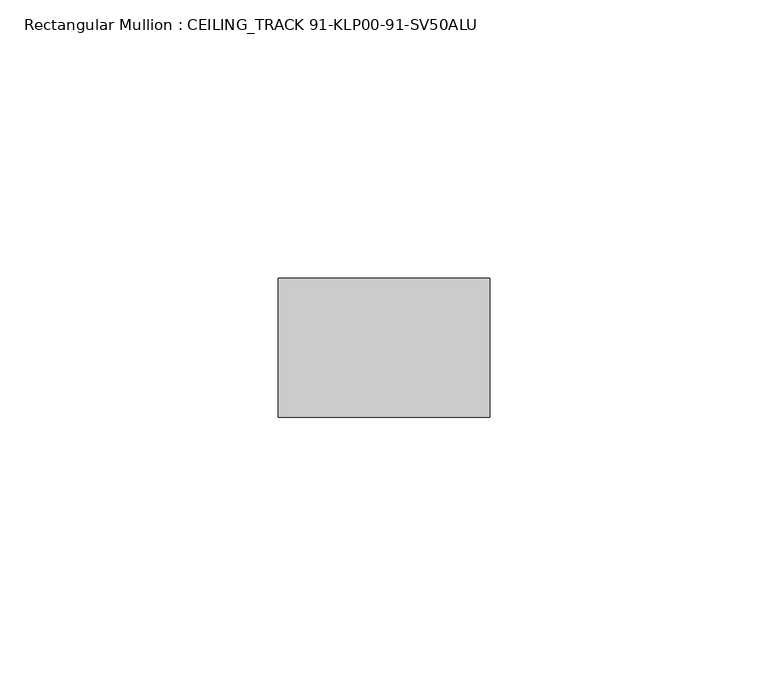
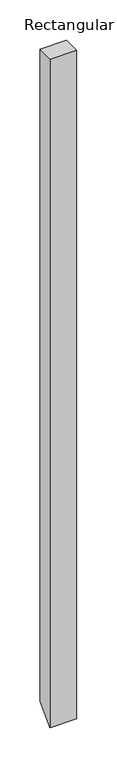
"""IFC4 building model written with IfcOpenShell, lengths in millimetres: member geometry, Rectangular Mullion : CEILING_TRACK 91-KLP00-91-SV50ALU."""

from ifc_helpers import new_model, si_unit, frame, origin, place, context, project, spatial, polyline, outline, extrude, source, transform, mapped, element, save


def rectangular_mullion_ceiling_track_91_klp00_91_sv50alu_4078449f(model_context):
    return source(origin(), model_context, "Body", "SweptSolid", [
        extrude(outline(polyline([(-12.5, 0.0), (12.5, 0.0), (12.5, -987.5), (-12.5, -1012.5), (-12.5, 0.0)])), frame((-38.0, 0.0, 0.0), z_axis=(1.0, 0.0, 0.0), x_axis=(0.0, 1.0, 0.0)), (0.0, 0.0, 1.0), 38.0),
    ])


if __name__ == "__main__":
    model = new_model("IFC4")
    model_context = context("Model", 3, world=origin())
    ifc_project = project(units=[si_unit("LENGTHUNIT", "METRE", prefix="MILLI")], contexts=[model_context])
    site = spatial("IfcSite", under=ifc_project)
    building = spatial("IfcBuilding", under=site)
    placement = place(None, origin())
    rectangular_mullion_ceiling_track_91_klp00_91_sv50alu_shape = rectangular_mullion_ceiling_track_91_klp00_91_sv50alu_4078449f(model_context)
    element("IfcMember", 1, ObjectType="Rectangular Mullion : CEILING_TRACK 91-KLP00-91-SV50ALU", at=placement, inside=building, context=model_context, shape_type="MappedRepresentation", body=[
        mapped(rectangular_mullion_ceiling_track_91_klp00_91_sv50alu_shape, transform((0.0, 0.0, 0.0), x_axis=(1.0, 0.0, 0.0), y_axis=(0.0, 1.0, 0.0), z_axis=(0.0, 0.0, 1.0))),
    ])
    save(model, "model.ifc")
